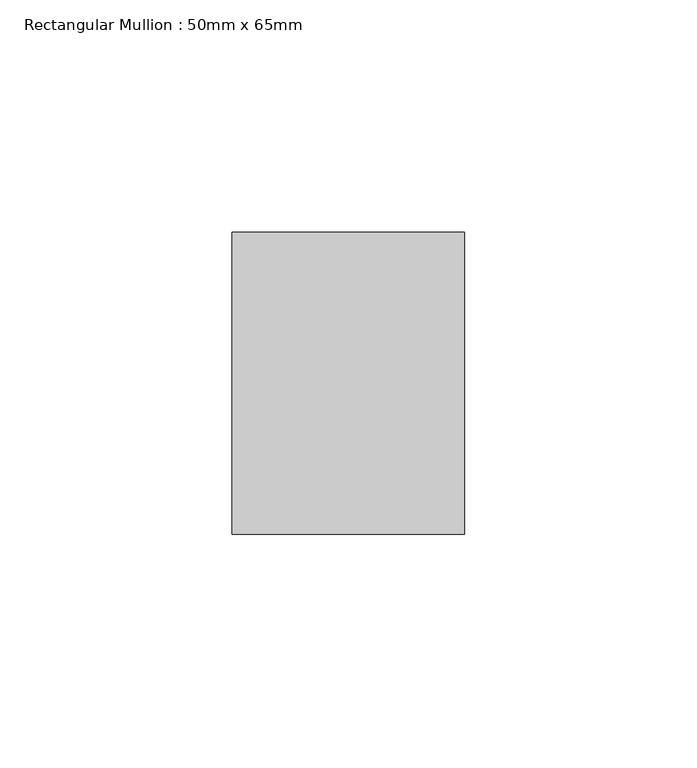
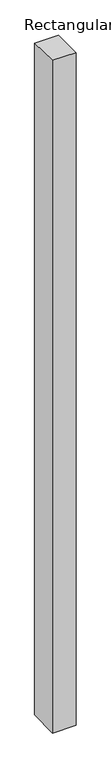
"""IFC4 building model written with IfcOpenShell, lengths in millimetres: member geometry, Rectangular Mullion : 50mm x 65mm."""

import ifcopenshell
import ifcopenshell.guid

model = None  # the IFC model being written
_history = None  # IfcOwnerHistory: only IFC2X3 demands one
_inside = {}  # id of a spatial element -> (the spatial element, [elements in it])
_under = {}  # id of a project, library or spatial element -> (it, [spatial elements below it])
_declared = {}  # id of a project -> (the project, [libraries it declares])
_typed = {}  # id of a type object -> (the type object, [elements of that type])
_made_of = {}  # id of a material, layer set ... -> (it, [elements and type objects made of it])


def new_model(schema):
    """Start an empty IFC model of exactly this schema.

    Asked for "IFC4X3", IfcOpenShell would pick the latest addendum, in which some entities
    have other attributes; the version numbers below select the first issue.
    IFC2X3 requires an IfcOwnerHistory on every rooted entity: one is made here for all.
    """
    global model, _history
    if schema == "IFC4X3":
        model = ifcopenshell.file(schema_version=(4, 3, 0, 0))
    else:
        model = ifcopenshell.file(schema=schema)
    _inside.clear()
    _under.clear()
    _declared.clear()
    _typed.clear()
    _made_of.clear()
    _history = None
    if model.schema == "IFC2X3":
        org = make("IfcOrganization", Name="unknown")
        user = make(
            "IfcPersonAndOrganization",
            ThePerson=make("IfcPerson", FamilyName="unknown"),
            TheOrganization=org,
        )
        app = make(
            "IfcApplication",
            ApplicationDeveloper=org,
            Version="unknown",
            ApplicationFullName="unknown",
            ApplicationIdentifier="unknown",
        )
        _history = make(
            "IfcOwnerHistory",
            OwningUser=user,
            OwningApplication=app,
            ChangeAction="ADDED",
            CreationDate=0,
        )
    return model


def make(cls, **values):
    """One entity of the class cls with the attributes given. An attribute that is None is left unset."""
    return model.create_entity(
        cls, **{name: value for name, value in values.items() if value is not None}
    )


def rooted(cls, **values):
    """An entity with a GlobalId (a new one), such as an element, a storey or a relation."""
    return make(cls, GlobalId=ifcopenshell.guid.new(), OwnerHistory=_history, **values)


def si_unit(unit_type, name, prefix=None):
    """IfcSIUnit, for example si_unit("LENGTHUNIT", "METRE", prefix="MILLI")."""
    return make("IfcSIUnit", UnitType=unit_type, Prefix=prefix, Name=name)


def assignment(units):
    """IfcUnitAssignment: the units of a project."""
    return None if units is None else make("IfcUnitAssignment", Units=units)


def point(xyz):
    """IfcCartesianPoint."""
    return None if xyz is None else make("IfcCartesianPoint", Coordinates=xyz)


def direction(xyz):
    """IfcDirection."""
    return None if xyz is None else make("IfcDirection", DirectionRatios=xyz)


def frame(location, z_axis=None, x_axis=None):
    """IfcAxis2Placement3D, a coordinate frame: its origin and axes. An axis left out is left unset."""
    return make(
        "IfcAxis2Placement3D",
        Location=point(location),
        Axis=direction(z_axis),
        RefDirection=direction(x_axis),
    )


def origin():
    """The frame at (0, 0, 0) with its axes left unset."""
    return frame((0.0, 0.0, 0.0))


def place(relative_to, where):
    """IfcLocalPlacement: puts the frame where relative to a parent placement (None: the world)."""
    return make(
        "IfcLocalPlacement", PlacementRelTo=relative_to, RelativePlacement=where
    )


def context(
    kind, dimensions, precision=None, world=None, true_north=None, identifier=None
):
    """IfcGeometricRepresentationContext, for example the 3D "Model" context."""
    return make(
        "IfcGeometricRepresentationContext",
        ContextIdentifier=identifier,
        ContextType=kind,
        CoordinateSpaceDimension=dimensions,
        Precision=precision,
        WorldCoordinateSystem=world,
        TrueNorth=true_north,
    )


def project(units=None, contexts=None):
    """IfcProject with its units and contexts."""
    return rooted(
        "IfcProject",
        Name="project",
        RepresentationContexts=contexts,
        UnitsInContext=assignment(units),
    )


def spatial(cls, under=None, at=None, **own):
    """A site, building, storey or space (cls), placed at a placement, below another one or the project."""
    s = rooted(cls, ObjectPlacement=at, **own)
    if under is not None:
        _under.setdefault(under.id(), (under, []))[1].append(s)
    return s


def faces_of(points, faces, orient=None, outer=None):
    """IfcFace entities. A face is a list of loops; a loop is a list of indices into points, from 0.

    orient and outer hold one flag for each loop. By default every Orientation is true, the
    first loop of a face is its IfcFaceOuterBound and the others are IfcFaceBound.
    """
    made = []
    for i, loops in enumerate(faces):
        bounds = []
        for j, loop in enumerate(loops):
            is_outer = j == 0 if outer is None else outer[i][j]
            bounds.append(
                make(
                    "IfcFaceOuterBound" if is_outer else "IfcFaceBound",
                    Bound=make("IfcPolyLoop", Polygon=[points[k] for k in loop]),
                    Orientation=True if orient is None else orient[i][j],
                )
            )
        made.append(make("IfcFace", Bounds=bounds))
    return made


def faceted_brep(points, faces, orient=None, outer=None, voids=None):
    """IfcFacetedBrep: a solid bounded by flat faces; with voids (closed shells), ...WithVoids."""
    shared = [point(p) for p in points]
    hull = make("IfcClosedShell", CfsFaces=faces_of(shared, faces, orient, outer))
    if voids is None:
        return make("IfcFacetedBrep", Outer=hull)
    return make(
        "IfcFacetedBrepWithVoids",
        Outer=hull,
        Voids=[
            make(cls, CfsFaces=faces_of(shared, fs, o, b)) for cls, fs, o, b in voids
        ],
    )


def shape(context_of_items, identifier, shape_type, items):
    """IfcShapeRepresentation: the items that make up one representation, for example the "Body"."""
    return make(
        "IfcShapeRepresentation",
        ContextOfItems=context_of_items,
        RepresentationIdentifier=identifier,
        RepresentationType=shape_type,
        Items=items,
    )


def source(mapping_origin, context_of_items, identifier, shape_type, items):
    """IfcRepresentationMap: a shape defined once, which mapped items show again and again."""
    return make(
        "IfcRepresentationMap",
        MappingOrigin=mapping_origin,
        MappedRepresentation=shape(context_of_items, identifier, shape_type, items),
    )


def transform(
    local_origin,
    x_axis=None,
    y_axis=None,
    z_axis=None,
    scale=None,
    scale2=None,
    scale3=None,
    uniform=True,
):
    """IfcCartesianTransformationOperator3D, or its non-uniform kind. x_axis, y_axis, z_axis: its Axis1, 2, 3."""
    if uniform:
        return make(
            "IfcCartesianTransformationOperator3D",
            Axis1=direction(x_axis),
            Axis2=direction(y_axis),
            LocalOrigin=point(local_origin),
            Scale=scale,
            Axis3=direction(z_axis),
        )
    return make(
        "IfcCartesianTransformationOperator3DnonUniform",
        Axis1=direction(x_axis),
        Axis2=direction(y_axis),
        LocalOrigin=point(local_origin),
        Scale=scale,
        Axis3=direction(z_axis),
        Scale2=scale2,
        Scale3=scale3,
    )


def mapped(mapping_source, mapping_target):
    """IfcMappedItem: shows the shape of a source again, moved by a transform."""
    return make(
        "IfcMappedItem", MappingSource=mapping_source, MappingTarget=mapping_target
    )


def made_of(thing, what):
    """Note that an element or type object is made of a material, layer set ...; save() writes the relation."""
    if what is not None:
        _made_of.setdefault(what.id(), (what, []))[1].append(thing)
    return thing


def element(
    cls,
    number,
    at=None,
    inside=None,
    cuts=None,
    type_object=None,
    material=None,
    context=None,
    identifier="Body",
    shape_type=None,
    held_by="IfcProductDefinitionShape",
    body=None,
    shapes=None,
    **own,
):
    """One element of the class cls, such as IfcWall. Its Tag is "e" and its number.

    at: its placement. inside: the storey or other place that contains it. cuts: it is an
    opening in that element (IfcRelVoidsElement). A single representation is given by context,
    identifier, shape_type and body (its items); several are given by shapes. held_by: the class
    of the entity that holds the representations. save() writes the other relations.
    """
    e = rooted(cls, Tag="e%d" % number, ObjectPlacement=at, **own)
    if body is not None:
        shapes = [shape(context, identifier, shape_type, body)]
    if shapes is not None:
        e.Representation = make(held_by, Representations=shapes)
    if inside is not None:
        _inside.setdefault(inside.id(), (inside, []))[1].append(e)
    if cuts is not None:
        rooted(
            "IfcRelVoidsElement", RelatingBuildingElement=cuts, RelatedOpeningElement=e
        )
    if type_object is not None:
        _typed.setdefault(type_object.id(), (type_object, []))[1].append(e)
    return made_of(e, material)


def aggregate(whole, parts):
    """IfcRelAggregates: a whole, such as a stair, and the parts it consists of."""
    return rooted("IfcRelAggregates", RelatingObject=whole, RelatedObjects=parts)


def save(model, path):
    """Write the relations noted so far, then the file.

    IfcRelAggregates (storeys below a building ...), IfcRelContainedInSpatialStructure (elements
    in a storey), IfcRelDefinesByType, IfcRelAssociatesMaterial and IfcRelDeclares: one each for
    every whole, place, type object, material and project.
    """
    for whole, parts in _under.values():
        aggregate(whole, parts)
    for where, things in _inside.values():
        rooted(
            "IfcRelContainedInSpatialStructure",
            RelatedElements=things,
            RelatingStructure=where,
        )
    for kind, things in _typed.values():
        rooted("IfcRelDefinesByType", RelatedObjects=things, RelatingType=kind)
    for what, things in _made_of.values():
        rooted("IfcRelAssociatesMaterial", RelatedObjects=things, RelatingMaterial=what)
    for by, libraries in _declared.values():
        rooted("IfcRelDeclares", RelatingContext=by, RelatedDefinitions=libraries)
    model.write(path)


def rectangular_mullion_50mm_x_65mm_70eaa97b(model_context):
    return source(origin(), model_context, "Body", "Brep", [
        faceted_brep([(-25.0, 32.5, -0.5683223), (25.0, 32.5, -0.5683179), (25.0, 32.5, -1499.2869911), (-25.0, 32.5, -1499.2869856), (-25.0, -32.5, 0.5683179), (-25.0, -32.5, -1500.7124023), (25.0, -32.5, 0.5683223), (25.0, -32.5, -1500.7124077)], [[[0, 1, 2, 3]], [[4, 0, 3, 5]], [[6, 4, 5, 7]], [[1, 6, 7, 2]], [[1, 0, 4, 6]], [[2, 7, 5, 3]]]),
    ])


if __name__ == "__main__":
    model = new_model("IFC4")
    model_context = context("Model", 3, world=origin())
    ifc_project = project(units=[si_unit("LENGTHUNIT", "METRE", prefix="MILLI")], contexts=[model_context])
    site = spatial("IfcSite", under=ifc_project)
    building = spatial("IfcBuilding", under=site)
    placement = place(None, origin())
    rectangular_mullion_50mm_x_65mm_shape = rectangular_mullion_50mm_x_65mm_70eaa97b(model_context)
    element("IfcMember", 1, ObjectType="Rectangular Mullion : 50mm x 65mm", at=placement, inside=building, context=model_context, shape_type="MappedRepresentation", body=[
        mapped(rectangular_mullion_50mm_x_65mm_shape, transform((0.0, 0.0, 0.0), x_axis=(1.0, 0.0, 0.0), y_axis=(0.0, 1.0, 0.0), z_axis=(0.0, 0.0, 1.0))),
    ])
    save(model, "model.ifc")
